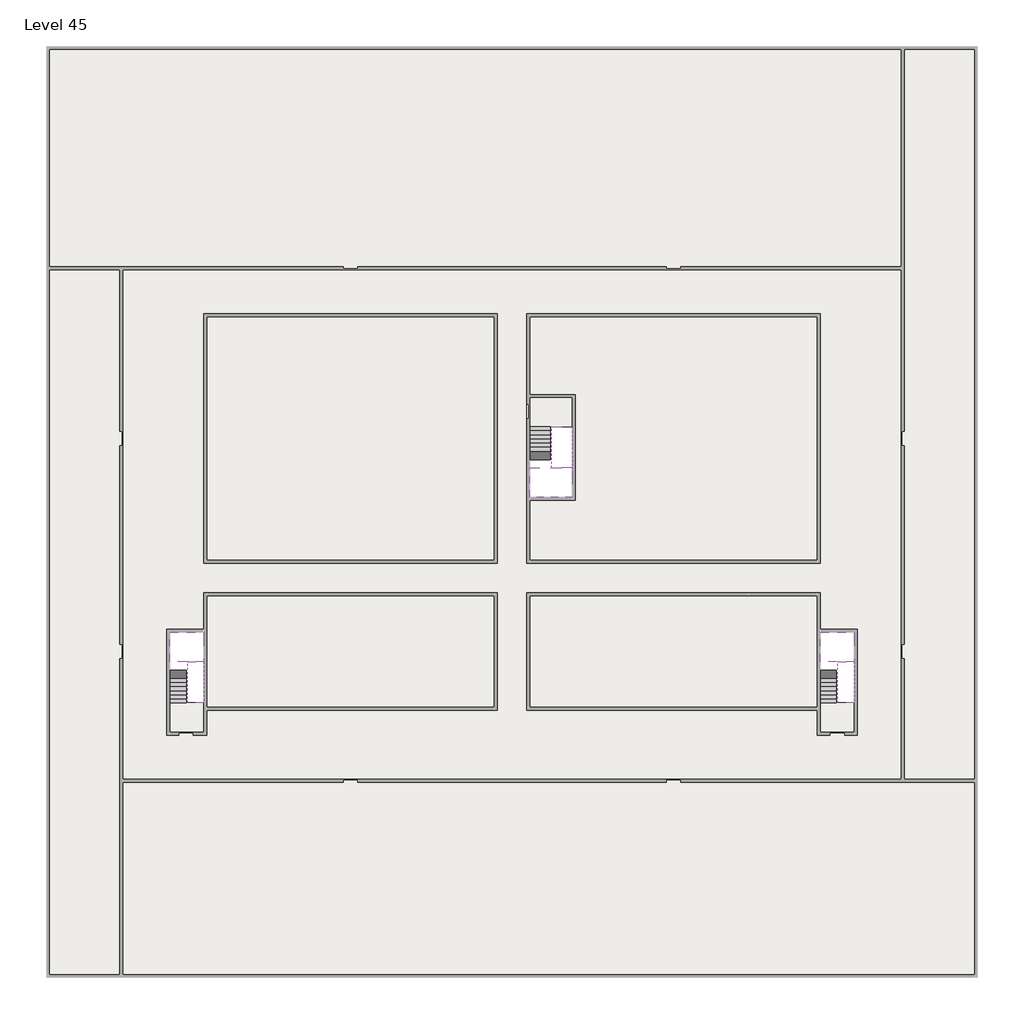
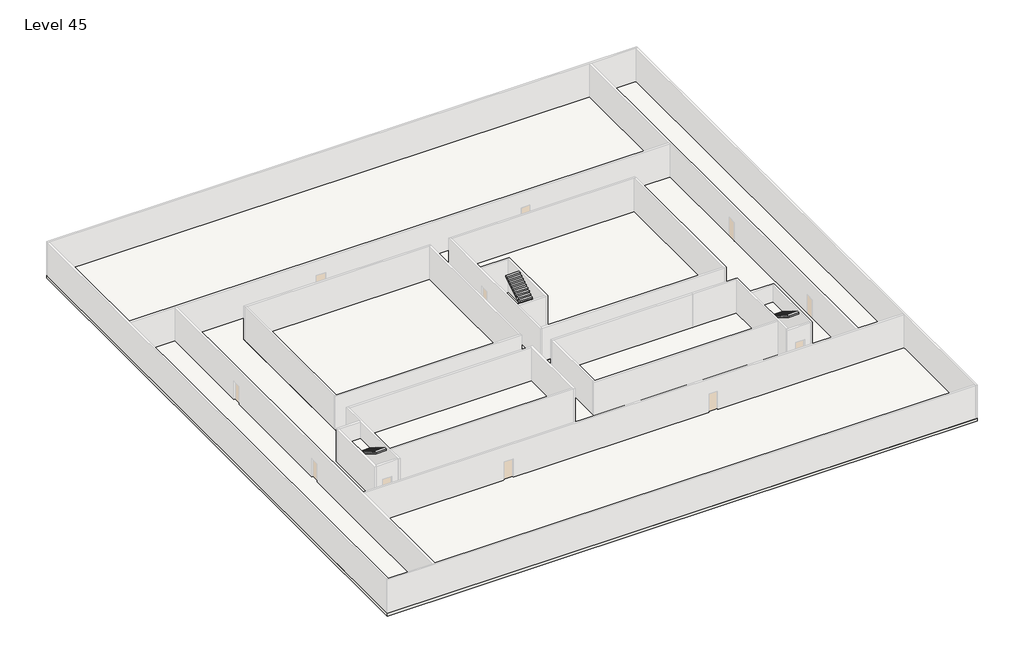
# One storey, part 2 of 2: 6 slabs, 6 stair flights.
"""IFC4 building model written with IfcOpenShell, lengths in millimetres."""

from ifc_helpers import new_model, si_unit, frame, origin, place, context, project, spatial, polyline, outline, extrude, faceted_brep, element, save

model = new_model("IFC4")

# Units and contexts
model_context = context("Model", 3, world=origin())
ifc_project = project(units=[si_unit("LENGTHUNIT", "METRE", prefix="MILLI")], contexts=[model_context])

# Site, building, storey
site = spatial("IfcSite", under=ifc_project)
building = spatial("IfcBuilding", under=site)
storey = spatial("IfcBuildingStorey", under=building, Name="Level 45", Elevation=167200.0)

# Slabs
placement = place(None, origin())
element("IfcSlab", 1, at=placement, inside=storey, context=model_context, shape_type="SweptSolid", body=[
    extrude(outline(polyline([(55890.1058784, -5518.09644), (55890.1058784, -68918.09644), (-7509.8941216, -68918.09644), (-7509.8941216, -5518.09644), (55890.1058784, -5518.09644)]), holes=[polyline([(23190.1058784, -23718.09644), (3190.1058784, -23718.09644), (3190.1058784, -40718.09644), (23190.1058784, -40718.09644), (23190.1058784, -23718.09644)]), polyline([(45190.1058784, -23718.09644), (25190.1058784, -23718.09644), (25190.1058784, -40718.09644), (45190.1058784, -40718.09644), (45190.1058784, -23718.09644)]), polyline([(23190.1058784, -42718.09644), (3390.1058784, -42718.09644), (3390.1058784, -45418.09644), (890.1058784, -45418.09644), (890.1058784, -52218.09644), (3190.1058784, -52218.09644), (3190.1058784, -50718.09644), (23190.1058784, -50718.09644), (23190.1058784, -42718.09644)]), polyline([(44990.1058784, -42718.09644), (25190.1058784, -42718.09644), (25190.1058784, -50718.09644), (45190.1058784, -50718.09644), (45190.1058784, -52218.09644), (47490.1058784, -52218.09644), (47490.1058784, -45418.09644), (44990.1058784, -45418.09644), (44990.1058784, -42718.09644)])]), frame((0.0, 0.0, 166900.0), z_axis=(0.0, 0.0, 1.0), x_axis=(1.0, 0.0, 0.0)), (0.0, 0.0, 1.0), 300.0),
])
element("IfcSlab", 2, at=placement, inside=storey, context=model_context, shape_type="Brep", body=[
    faceted_brep([(26790.1058784, -34218.09644, 169100.0), (25390.1058784, -34218.09644, 169100.0), (25390.1058784, -34297.4828763, 169100.0), (25390.1058784, -36218.09644, 169100.0), (28290.1058784, -36218.09644, 169100.0), (28290.1058784, -34418.7100038, 169100.0), (28290.1058784, -34218.09644, 169100.0), (26890.1058784, -34218.09644, 169100.0), (26790.1058784, -34218.09644, 168800.0), (26790.1058784, -34218.09644, 168751.0278478), (25390.1058784, -34218.09644, 168751.0278478), (25390.1058784, -34218.09644, 168927.2727273), (25390.1058784, -34297.4828763, 168800.0), (25390.1058784, -36218.09644, 168800.0), (28290.1058784, -36218.09644, 168800.0), (28290.1058784, -34418.7100038, 168800.0), (28290.1058784, -34218.09644, 168923.7551205), (26890.1058784, -34218.09644, 168923.7551205), (26890.1058784, -34218.09644, 168800.0), (26890.1058784, -34418.7100038, 168800.0), (26790.1058784, -34297.4828763, 168800.0)], [[[0, 1, 2, 3, 4, 5, 6, 7]], [[1, 0, 8, 9, 10, 11]], [[1, 11, 10, 12, 13, 3, 2]], [[4, 3, 13, 14]], [[4, 14, 15, 16, 6, 5]], [[7, 6, 16, 17]], [[0, 7, 17, 18, 8]], [[18, 19, 15, 14, 13, 12, 20, 8]], [[19, 18, 17]], [[20, 12, 10, 9]], [[8, 20, 9]], [[15, 19, 17, 16]]]),
])
element("IfcSlab", 3, at=placement, inside=storey, context=model_context, shape_type="Brep", body=[
    faceted_brep([(45190.1058784, -47418.09644, 169100.0), (46290.1058784, -47418.09644, 169100.0), (46390.1058784, -47418.09644, 169100.0), (47490.1058784, -47418.09644, 169100.0), (47490.1058784, -47217.4828763, 169100.0), (47490.1058784, -45418.09644, 169100.0), (45190.1058784, -45418.09644, 169100.0), (45190.1058784, -47338.7100038, 169100.0), (45190.1058784, -47418.09644, 168927.2727273), (45190.1058784, -47418.09644, 168751.0278478), (46290.1058784, -47418.09644, 168751.0278478), (46290.1058784, -47418.09644, 168800.0), (46390.1058784, -47418.09644, 168800.0), (46390.1058784, -47418.09644, 168923.7551205), (47490.1058784, -47418.09644, 168923.7551205), (47490.1058784, -47217.4828763, 168800.0), (47490.1058784, -45418.09644, 168800.0), (45190.1058784, -45418.09644, 168800.0), (45190.1058784, -47338.7100038, 168800.0), (46390.1058784, -47217.4828763, 168800.0), (46290.1058784, -47338.7100038, 168800.0)], [[[0, 1, 2, 3, 4, 5, 6, 7]], [[1, 0, 8, 9, 10, 11]], [[2, 1, 11, 12, 13]], [[3, 2, 13, 14]], [[3, 14, 15, 16, 5, 4]], [[6, 5, 16, 17]], [[9, 8, 0, 7, 6, 17, 18]], [[19, 12, 11, 20, 18, 17, 16, 15]], [[12, 19, 13]], [[18, 20, 10, 9]], [[20, 11, 10]], [[19, 15, 14, 13]]]),
])
element("IfcSlab", 4, at=placement, inside=storey, context=model_context, shape_type="Brep", body=[
    faceted_brep([(890.1058784, -47418.09644, 169100.0), (1990.1058784, -47418.09644, 169100.0), (2090.1058784, -47418.09644, 169100.0), (3190.1058784, -47418.09644, 169100.0), (3190.1058784, -47217.4828763, 169100.0), (3190.1058784, -45418.09644, 169100.0), (890.1058784, -45418.09644, 169100.0), (890.1058784, -47338.7100038, 169100.0), (890.1058784, -47418.09644, 168927.2727273), (890.1058784, -47418.09644, 168751.0278478), (1990.1058784, -47418.09644, 168751.0278478), (1990.1058784, -47418.09644, 168800.0), (2090.1058784, -47418.09644, 168800.0), (2090.1058784, -47418.09644, 168923.7551205), (3190.1058784, -47418.09644, 168923.7551205), (3190.1058784, -47217.4828763, 168800.0), (3190.1058784, -45418.09644, 168800.0), (890.1058784, -45418.09644, 168800.0), (890.1058784, -47338.7100038, 168800.0), (2090.1058784, -47217.4828763, 168800.0), (1990.1058784, -47338.7100038, 168800.0)], [[[0, 1, 2, 3, 4, 5, 6, 7]], [[1, 0, 8, 9, 10, 11]], [[2, 1, 11, 12, 13]], [[3, 2, 13, 14]], [[3, 14, 15, 16, 5, 4]], [[6, 5, 16, 17]], [[9, 8, 0, 7, 6, 17, 18]], [[19, 12, 11, 20, 18, 17, 16, 15]], [[12, 19, 13]], [[18, 20, 10, 9]], [[20, 11, 10]], [[19, 15, 14, 13]]]),
])
element("IfcSlab", 5, at=placement, inside=storey, context=model_context, shape_type="SweptSolid", body=[
    extrude(outline(polyline([(22990.1058784, -23918.09644), (22990.1058784, -40518.09644), (3390.1058784, -40518.09644), (3390.1058784, -23918.09644), (22990.1058784, -23918.09644)])), frame((0.0, 0.0, 166900.0), z_axis=(0.0, 0.0, 1.0), x_axis=(1.0, 0.0, 0.0)), (0.0, 0.0, 1.0), 300.0),
    extrude(outline(polyline([(44990.1058784, -23918.09644), (44990.1058784, -40518.09644), (25390.1058784, -40518.09644), (25390.1058784, -36418.09644), (28490.1058784, -36418.09644), (28490.1058784, -29218.09644), (25390.1058784, -29218.09644), (25390.1058784, -23918.09644), (44990.1058784, -23918.09644)])), frame((0.0, 0.0, 166900.0), z_axis=(0.0, 0.0, 1.0), x_axis=(1.0, 0.0, 0.0)), (0.0, 0.0, 1.0), 300.0),
    extrude(outline(polyline([(22990.1058784, -42918.09644), (22990.1058784, -50518.09644), (3390.1058784, -50518.09644), (3390.1058784, -42918.09644), (22990.1058784, -42918.09644)])), frame((0.0, 0.0, 166900.0), z_axis=(0.0, 0.0, 1.0), x_axis=(1.0, 0.0, 0.0)), (0.0, 0.0, 1.0), 300.0),
    extrude(outline(polyline([(44990.1058784, -42918.09644), (44990.1058784, -50518.09644), (25390.1058784, -50518.09644), (25390.1058784, -42918.09644), (44990.1058784, -42918.09644)])), frame((0.0, 0.0, 166900.0), z_axis=(0.0, 0.0, 1.0), x_axis=(1.0, 0.0, 0.0)), (0.0, 0.0, 1.0), 300.0),
])
element("IfcSlab", 6, at=placement, inside=storey, context=model_context, shape_type="SweptSolid", body=[
    extrude(outline(polyline([(28290.1058784, -29418.09644), (28290.1058784, -31418.09644), (25190.1058784, -31418.09644), (25190.1058784, -29418.09644), (28290.1058784, -29418.09644)])), frame((0.0, 0.0, 166900.0), z_axis=(0.0, 0.0, 1.0), x_axis=(1.0, 0.0, 0.0)), (0.0, 0.0, 1.0), 300.0),
    extrude(outline(polyline([(3190.1058784, -50218.09644), (3190.1058784, -52218.09644), (890.1058784, -52218.09644), (890.1058784, -50218.09644), (3190.1058784, -50218.09644)])), frame((0.0, 0.0, 166900.0), z_axis=(0.0, 0.0, 1.0), x_axis=(1.0, 0.0, 0.0)), (0.0, 0.0, 1.0), 300.0),
    extrude(outline(polyline([(47490.1058784, -50218.09644), (47490.1058784, -52218.09644), (45190.1058784, -52218.09644), (45190.1058784, -50218.09644), (47490.1058784, -50218.09644)])), frame((0.0, 0.0, 166900.0), z_axis=(0.0, 0.0, 1.0), x_axis=(1.0, 0.0, 0.0)), (0.0, 0.0, 1.0), 300.0),
])

# Stair flights
element("IfcStairFlight", 7, at=placement, inside=storey, context=model_context, shape_type="Brep", body=[
    faceted_brep([(26790.1058784, -31698.09644, 167372.7272727), (26790.1058784, -31418.09644, 167372.7272727), (25390.1058784, -31418.09644, 167372.7272727), (25390.1058784, -31698.09644, 167372.7272727), (26790.1058784, -31698.09644, 167200.0), (26790.1058784, -31418.09644, 167200.0), (25390.1058784, -31418.09644, 167200.0), (25390.1058784, -31698.09644, 167200.0), (26790.1058784, -31978.09644, 167545.4545455), (26790.1058784, -31698.09644, 167545.4545455), (25390.1058784, -31698.09644, 167545.4545455), (25390.1058784, -31978.09644, 167545.4545455), (26790.1058784, -31978.09644, 167369.209666), (26790.1058784, -31703.7986657, 167200.0), (25390.1058784, -31703.7986657, 167200.0), (25390.1058784, -31978.09644, 167369.209666), (26790.1058784, -32258.09644, 167718.1818182), (26790.1058784, -31978.09644, 167718.1818182), (25390.1058784, -31978.09644, 167718.1818182), (25390.1058784, -32258.09644, 167718.1818182), (26790.1058784, -32258.09644, 167541.9369387), (25390.1058784, -32258.09644, 167541.9369387), (26790.1058784, -32538.09644, 167890.9090909), (26790.1058784, -32258.09644, 167890.9090909), (25390.1058784, -32258.09644, 167890.9090909), (25390.1058784, -32538.09644, 167890.9090909), (26790.1058784, -32538.09644, 167714.6642114), (25390.1058784, -32538.09644, 167714.6642114), (26790.1058784, -32818.09644, 168063.6363636), (26790.1058784, -32538.09644, 168063.6363636), (25390.1058784, -32538.09644, 168063.6363636), (25390.1058784, -32818.09644, 168063.6363636), (26790.1058784, -32818.09644, 167887.3914841), (25390.1058784, -32818.09644, 167887.3914841), (26790.1058784, -33098.09644, 168236.3636364), (26790.1058784, -32818.09644, 168236.3636364), (25390.1058784, -32818.09644, 168236.3636364), (25390.1058784, -33098.09644, 168236.3636364), (26790.1058784, -33098.09644, 168060.1187569), (25390.1058784, -33098.09644, 168060.1187569), (26790.1058784, -33378.09644, 168409.0909091), (26790.1058784, -33098.09644, 168409.0909091), (25390.1058784, -33098.09644, 168409.0909091), (25390.1058784, -33378.09644, 168409.0909091), (26790.1058784, -33378.09644, 168232.8460296), (25390.1058784, -33378.09644, 168232.8460296), (26790.1058784, -33658.09644, 168581.8181818), (26790.1058784, -33378.09644, 168581.8181818), (25390.1058784, -33378.09644, 168581.8181818), (25390.1058784, -33658.09644, 168581.8181818), (26790.1058784, -33658.09644, 168405.5733023), (25390.1058784, -33658.09644, 168405.5733023), (26790.1058784, -33938.09644, 168754.5454545), (26790.1058784, -33658.09644, 168754.5454545), (25390.1058784, -33658.09644, 168754.5454545), (25390.1058784, -33938.09644, 168754.5454545), (26790.1058784, -33938.09644, 168578.3005751), (25390.1058784, -33938.09644, 168578.3005751), (26790.1058784, -34218.09644, 168927.2727273), (26790.1058784, -33938.09644, 168927.2727273), (25390.1058784, -33938.09644, 168927.2727273), (25390.1058784, -34218.09644, 168927.2727273), (26790.1058784, -34218.09644, 168800.0), (26790.1058784, -34218.09644, 168751.0278478), (25390.1058784, -34218.09644, 168751.0278478)], [[[0, 1, 2, 3]], [[1, 0, 4, 5]], [[2, 1, 5, 6]], [[3, 2, 6, 7]], [[8, 9, 10, 11]], [[4, 0, 9, 8, 12, 13]], [[0, 3, 10, 9]], [[3, 7, 14, 15, 11, 10]], [[16, 17, 18, 19]], [[17, 16, 20, 12, 8]], [[8, 11, 18, 17]], [[19, 18, 11, 15, 21]], [[22, 23, 24, 25]], [[23, 22, 26, 20, 16]], [[16, 19, 24, 23]], [[25, 24, 19, 21, 27]], [[28, 29, 30, 31]], [[29, 28, 32, 26, 22]], [[22, 25, 30, 29]], [[31, 30, 25, 27, 33]], [[34, 35, 36, 37]], [[35, 34, 38, 32, 28]], [[28, 31, 36, 35]], [[37, 36, 31, 33, 39]], [[40, 41, 42, 43]], [[41, 40, 44, 38, 34]], [[34, 37, 42, 41]], [[43, 42, 37, 39, 45]], [[46, 47, 48, 49]], [[47, 46, 50, 44, 40]], [[40, 43, 48, 47]], [[49, 48, 43, 45, 51]], [[52, 53, 54, 55]], [[53, 52, 56, 50, 46]], [[46, 49, 54, 53]], [[55, 54, 49, 51, 57]], [[58, 59, 60, 61]], [[59, 58, 62, 63, 56, 52]], [[52, 55, 60, 59]], [[61, 60, 55, 57, 64]], [[58, 61, 64, 63, 62]], [[5, 4, 13, 14, 7, 6]], [[14, 13, 12, 20, 26, 32, 38, 44, 50, 56, 63, 64, 57, 51, 45, 39, 33, 27, 21, 15]]]),
])
element("IfcStairFlight", 8, at=placement, inside=storey, context=model_context, shape_type="Brep", body=[
    faceted_brep([(26890.1058784, -33938.09644, 169272.7272727), (26890.1058784, -34218.09644, 169272.7272727), (28290.1058784, -34218.09644, 169272.7272727), (28290.1058784, -33938.09644, 169272.7272727), (26890.1058784, -33938.09644, 169096.4823932), (26890.1058784, -34218.09644, 168923.7551205), (28290.1058784, -34218.09644, 168923.7551205), (28290.1058784, -34218.09644, 169100.0), (28290.1058784, -33938.09644, 169096.4823932), (26890.1058784, -33658.09644, 169445.4545455), (26890.1058784, -33938.09644, 169445.4545455), (28290.1058784, -33938.09644, 169445.4545455), (28290.1058784, -33658.09644, 169445.4545455), (26890.1058784, -33658.09644, 169269.209666), (28290.1058784, -33658.09644, 169269.209666), (26890.1058784, -33378.09644, 169618.1818182), (26890.1058784, -33658.09644, 169618.1818182), (28290.1058784, -33658.09644, 169618.1818182), (28290.1058784, -33378.09644, 169618.1818182), (26890.1058784, -33378.09644, 169441.9369387), (28290.1058784, -33378.09644, 169441.9369387), (26890.1058784, -33098.09644, 169790.9090909), (26890.1058784, -33378.09644, 169790.9090909), (28290.1058784, -33378.09644, 169790.9090909), (28290.1058784, -33098.09644, 169790.9090909), (26890.1058784, -33098.09644, 169614.6642114), (28290.1058784, -33098.09644, 169614.6642114), (26890.1058784, -32818.09644, 169963.6363636), (26890.1058784, -33098.09644, 169963.6363636), (28290.1058784, -33098.09644, 169963.6363636), (28290.1058784, -32818.09644, 169963.6363636), (26890.1058784, -32818.09644, 169787.3914841), (28290.1058784, -32818.09644, 169787.3914841), (26890.1058784, -32538.09644, 170136.3636364), (26890.1058784, -32818.09644, 170136.3636364), (28290.1058784, -32818.09644, 170136.3636364), (28290.1058784, -32538.09644, 170136.3636364), (26890.1058784, -32538.09644, 169960.1187569), (28290.1058784, -32538.09644, 169960.1187569), (26890.1058784, -32258.09644, 170309.0909091), (26890.1058784, -32538.09644, 170309.0909091), (28290.1058784, -32538.09644, 170309.0909091), (28290.1058784, -32258.09644, 170309.0909091), (26890.1058784, -32258.09644, 170132.8460296), (28290.1058784, -32258.09644, 170132.8460296), (26890.1058784, -31978.09644, 170481.8181818), (26890.1058784, -32258.09644, 170481.8181818), (28290.1058784, -32258.09644, 170481.8181818), (28290.1058784, -31978.09644, 170481.8181818), (26890.1058784, -31978.09644, 170305.5733023), (28290.1058784, -31978.09644, 170305.5733023), (26890.1058784, -31698.09644, 170654.5454545), (26890.1058784, -31978.09644, 170654.5454545), (28290.1058784, -31978.09644, 170654.5454545), (28290.1058784, -31698.09644, 170654.5454545), (26890.1058784, -31698.09644, 170478.3005751), (28290.1058784, -31698.09644, 170478.3005751), (26890.1058784, -31418.09644, 170827.2727273), (26890.1058784, -31698.09644, 170827.2727273), (28290.1058784, -31698.09644, 170827.2727273), (28290.1058784, -31418.09644, 170827.2727273), (26890.1058784, -31418.09644, 170651.0278478), (28290.1058784, -31418.09644, 170651.0278478)], [[[0, 1, 2, 3]], [[1, 0, 4, 5]], [[2, 1, 5, 6, 7]], [[3, 2, 7, 6, 8]], [[9, 10, 11, 12]], [[10, 9, 13, 4, 0]], [[11, 10, 0, 3]], [[12, 11, 3, 8, 14]], [[15, 16, 17, 18]], [[16, 15, 19, 13, 9]], [[17, 16, 9, 12]], [[18, 17, 12, 14, 20]], [[21, 22, 23, 24]], [[22, 21, 25, 19, 15]], [[23, 22, 15, 18]], [[24, 23, 18, 20, 26]], [[27, 28, 29, 30]], [[28, 27, 31, 25, 21]], [[29, 28, 21, 24]], [[30, 29, 24, 26, 32]], [[33, 34, 35, 36]], [[34, 33, 37, 31, 27]], [[35, 34, 27, 30]], [[36, 35, 30, 32, 38]], [[39, 40, 41, 42]], [[40, 39, 43, 37, 33]], [[41, 40, 33, 36]], [[42, 41, 36, 38, 44]], [[45, 46, 47, 48]], [[46, 45, 49, 43, 39]], [[47, 46, 39, 42]], [[48, 47, 42, 44, 50]], [[51, 52, 53, 54]], [[52, 51, 55, 49, 45]], [[53, 52, 45, 48]], [[54, 53, 48, 50, 56]], [[57, 58, 59, 60]], [[58, 57, 61, 55, 51]], [[59, 58, 51, 54]], [[60, 59, 54, 56, 62]], [[57, 60, 62, 61]], [[5, 4, 13, 19, 25, 31, 37, 43, 49, 55, 61, 62, 56, 50, 44, 38, 32, 26, 20, 14, 8, 6]]]),
])
element("IfcStairFlight", 9, at=placement, inside=storey, context=model_context, shape_type="Brep", body=[
    faceted_brep([(45190.1058784, -49938.09644, 167372.7272727), (45190.1058784, -50218.09644, 167372.7272727), (46290.1058784, -50218.09644, 167372.7272727), (46290.1058784, -49938.09644, 167372.7272727), (45190.1058784, -49938.09644, 167200.0), (45190.1058784, -50218.09644, 167200.0), (46290.1058784, -50218.09644, 167200.0), (46290.1058784, -49938.09644, 167200.0), (45190.1058784, -49658.09644, 167545.4545455), (45190.1058784, -49938.09644, 167545.4545455), (46290.1058784, -49938.09644, 167545.4545455), (46290.1058784, -49658.09644, 167545.4545455), (45190.1058784, -49658.09644, 167369.209666), (45190.1058784, -49932.3942143, 167200.0), (46290.1058784, -49932.3942143, 167200.0), (46290.1058784, -49658.09644, 167369.209666), (45190.1058784, -49378.09644, 167718.1818182), (45190.1058784, -49658.09644, 167718.1818182), (46290.1058784, -49658.09644, 167718.1818182), (46290.1058784, -49378.09644, 167718.1818182), (45190.1058784, -49378.09644, 167541.9369387), (46290.1058784, -49378.09644, 167541.9369387), (45190.1058784, -49098.09644, 167890.9090909), (45190.1058784, -49378.09644, 167890.9090909), (46290.1058784, -49378.09644, 167890.9090909), (46290.1058784, -49098.09644, 167890.9090909), (45190.1058784, -49098.09644, 167714.6642114), (46290.1058784, -49098.09644, 167714.6642114), (45190.1058784, -48818.09644, 168063.6363636), (45190.1058784, -49098.09644, 168063.6363636), (46290.1058784, -49098.09644, 168063.6363636), (46290.1058784, -48818.09644, 168063.6363636), (45190.1058784, -48818.09644, 167887.3914841), (46290.1058784, -48818.09644, 167887.3914841), (45190.1058784, -48538.09644, 168236.3636364), (45190.1058784, -48818.09644, 168236.3636364), (46290.1058784, -48818.09644, 168236.3636364), (46290.1058784, -48538.09644, 168236.3636364), (45190.1058784, -48538.09644, 168060.1187569), (46290.1058784, -48538.09644, 168060.1187569), (45190.1058784, -48258.09644, 168409.0909091), (45190.1058784, -48538.09644, 168409.0909091), (46290.1058784, -48538.09644, 168409.0909091), (46290.1058784, -48258.09644, 168409.0909091), (45190.1058784, -48258.09644, 168232.8460296), (46290.1058784, -48258.09644, 168232.8460296), (45190.1058784, -47978.09644, 168581.8181818), (45190.1058784, -48258.09644, 168581.8181818), (46290.1058784, -48258.09644, 168581.8181818), (46290.1058784, -47978.09644, 168581.8181818), (45190.1058784, -47978.09644, 168405.5733023), (46290.1058784, -47978.09644, 168405.5733023), (45190.1058784, -47698.09644, 168754.5454545), (45190.1058784, -47978.09644, 168754.5454545), (46290.1058784, -47978.09644, 168754.5454545), (46290.1058784, -47698.09644, 168754.5454545), (45190.1058784, -47698.09644, 168578.3005751), (46290.1058784, -47698.09644, 168578.3005751), (45190.1058784, -47418.09644, 168927.2727273), (45190.1058784, -47698.09644, 168927.2727273), (46290.1058784, -47698.09644, 168927.2727273), (46290.1058784, -47418.09644, 168927.2727273), (45190.1058784, -47418.09644, 168751.0278478), (46290.1058784, -47418.09644, 168751.0278478), (46290.1058784, -47418.09644, 168800.0)], [[[0, 1, 2, 3]], [[1, 0, 4, 5]], [[2, 1, 5, 6]], [[3, 2, 6, 7]], [[8, 9, 10, 11]], [[4, 0, 9, 8, 12, 13]], [[0, 3, 10, 9]], [[3, 7, 14, 15, 11, 10]], [[16, 17, 18, 19]], [[17, 16, 20, 12, 8]], [[8, 11, 18, 17]], [[19, 18, 11, 15, 21]], [[22, 23, 24, 25]], [[23, 22, 26, 20, 16]], [[16, 19, 24, 23]], [[25, 24, 19, 21, 27]], [[28, 29, 30, 31]], [[29, 28, 32, 26, 22]], [[22, 25, 30, 29]], [[31, 30, 25, 27, 33]], [[34, 35, 36, 37]], [[35, 34, 38, 32, 28]], [[28, 31, 36, 35]], [[37, 36, 31, 33, 39]], [[40, 41, 42, 43]], [[41, 40, 44, 38, 34]], [[34, 37, 42, 41]], [[43, 42, 37, 39, 45]], [[46, 47, 48, 49]], [[47, 46, 50, 44, 40]], [[40, 43, 48, 47]], [[49, 48, 43, 45, 51]], [[52, 53, 54, 55]], [[53, 52, 56, 50, 46]], [[46, 49, 54, 53]], [[55, 54, 49, 51, 57]], [[58, 59, 60, 61]], [[59, 58, 62, 56, 52]], [[52, 55, 60, 59]], [[61, 60, 55, 57, 63, 64]], [[58, 61, 64, 63, 62]], [[5, 4, 13, 14, 7, 6]], [[14, 13, 12, 20, 26, 32, 38, 44, 50, 56, 62, 63, 57, 51, 45, 39, 33, 27, 21, 15]]]),
])
element("IfcStairFlight", 10, at=placement, inside=storey, context=model_context, shape_type="Brep", body=[
    faceted_brep([(47490.1058784, -47698.09644, 169272.7272727), (47490.1058784, -47418.09644, 169272.7272727), (46390.1058784, -47418.09644, 169272.7272727), (46390.1058784, -47698.09644, 169272.7272727), (47490.1058784, -47698.09644, 169096.4823932), (47490.1058784, -47418.09644, 168923.7551205), (47490.1058784, -47418.09644, 169100.0), (46390.1058784, -47418.09644, 168923.7551205), (46390.1058784, -47698.09644, 169096.4823932), (47490.1058784, -47978.09644, 169445.4545455), (47490.1058784, -47698.09644, 169445.4545455), (46390.1058784, -47698.09644, 169445.4545455), (46390.1058784, -47978.09644, 169445.4545455), (47490.1058784, -47978.09644, 169269.209666), (46390.1058784, -47978.09644, 169269.209666), (47490.1058784, -48258.09644, 169618.1818182), (47490.1058784, -47978.09644, 169618.1818182), (46390.1058784, -47978.09644, 169618.1818182), (46390.1058784, -48258.09644, 169618.1818182), (47490.1058784, -48258.09644, 169441.9369387), (46390.1058784, -48258.09644, 169441.9369387), (47490.1058784, -48538.09644, 169790.9090909), (47490.1058784, -48258.09644, 169790.9090909), (46390.1058784, -48258.09644, 169790.9090909), (46390.1058784, -48538.09644, 169790.9090909), (47490.1058784, -48538.09644, 169614.6642114), (46390.1058784, -48538.09644, 169614.6642114), (47490.1058784, -48818.09644, 169963.6363636), (47490.1058784, -48538.09644, 169963.6363636), (46390.1058784, -48538.09644, 169963.6363636), (46390.1058784, -48818.09644, 169963.6363636), (47490.1058784, -48818.09644, 169787.3914841), (46390.1058784, -48818.09644, 169787.3914841), (47490.1058784, -49098.09644, 170136.3636364), (47490.1058784, -48818.09644, 170136.3636364), (46390.1058784, -48818.09644, 170136.3636364), (46390.1058784, -49098.09644, 170136.3636364), (47490.1058784, -49098.09644, 169960.1187569), (46390.1058784, -49098.09644, 169960.1187569), (47490.1058784, -49378.09644, 170309.0909091), (47490.1058784, -49098.09644, 170309.0909091), (46390.1058784, -49098.09644, 170309.0909091), (46390.1058784, -49378.09644, 170309.0909091), (47490.1058784, -49378.09644, 170132.8460296), (46390.1058784, -49378.09644, 170132.8460296), (47490.1058784, -49658.09644, 170481.8181818), (47490.1058784, -49378.09644, 170481.8181818), (46390.1058784, -49378.09644, 170481.8181818), (46390.1058784, -49658.09644, 170481.8181818), (47490.1058784, -49658.09644, 170305.5733023), (46390.1058784, -49658.09644, 170305.5733023), (47490.1058784, -49938.09644, 170654.5454545), (47490.1058784, -49658.09644, 170654.5454545), (46390.1058784, -49658.09644, 170654.5454545), (46390.1058784, -49938.09644, 170654.5454545), (47490.1058784, -49938.09644, 170478.3005751), (46390.1058784, -49938.09644, 170478.3005751), (47490.1058784, -50218.09644, 170827.2727273), (47490.1058784, -49938.09644, 170827.2727273), (46390.1058784, -49938.09644, 170827.2727273), (46390.1058784, -50218.09644, 170827.2727273), (47490.1058784, -50218.09644, 170651.0278478), (46390.1058784, -50218.09644, 170651.0278478)], [[[0, 1, 2, 3]], [[1, 0, 4, 5, 6]], [[2, 1, 6, 5, 7]], [[3, 2, 7, 8]], [[9, 10, 11, 12]], [[10, 9, 13, 4, 0]], [[11, 10, 0, 3]], [[12, 11, 3, 8, 14]], [[15, 16, 17, 18]], [[16, 15, 19, 13, 9]], [[17, 16, 9, 12]], [[18, 17, 12, 14, 20]], [[21, 22, 23, 24]], [[22, 21, 25, 19, 15]], [[23, 22, 15, 18]], [[24, 23, 18, 20, 26]], [[27, 28, 29, 30]], [[28, 27, 31, 25, 21]], [[29, 28, 21, 24]], [[30, 29, 24, 26, 32]], [[33, 34, 35, 36]], [[34, 33, 37, 31, 27]], [[35, 34, 27, 30]], [[36, 35, 30, 32, 38]], [[39, 40, 41, 42]], [[40, 39, 43, 37, 33]], [[41, 40, 33, 36]], [[42, 41, 36, 38, 44]], [[45, 46, 47, 48]], [[46, 45, 49, 43, 39]], [[47, 46, 39, 42]], [[48, 47, 42, 44, 50]], [[51, 52, 53, 54]], [[52, 51, 55, 49, 45]], [[53, 52, 45, 48]], [[54, 53, 48, 50, 56]], [[57, 58, 59, 60]], [[58, 57, 61, 55, 51]], [[59, 58, 51, 54]], [[60, 59, 54, 56, 62]], [[57, 60, 62, 61]], [[5, 4, 13, 19, 25, 31, 37, 43, 49, 55, 61, 62, 56, 50, 44, 38, 32, 26, 20, 14, 8, 7]]]),
])
element("IfcStairFlight", 11, at=placement, inside=storey, context=model_context, shape_type="Brep", body=[
    faceted_brep([(890.1058784, -49938.09644, 167372.7272727), (890.1058784, -50218.09644, 167372.7272727), (1990.1058784, -50218.09644, 167372.7272727), (1990.1058784, -49938.09644, 167372.7272727), (890.1058784, -49938.09644, 167200.0), (890.1058784, -50218.09644, 167200.0), (1990.1058784, -50218.09644, 167200.0), (1990.1058784, -49938.09644, 167200.0), (890.1058784, -49658.09644, 167545.4545455), (890.1058784, -49938.09644, 167545.4545455), (1990.1058784, -49938.09644, 167545.4545455), (1990.1058784, -49658.09644, 167545.4545455), (890.1058784, -49658.09644, 167369.209666), (890.1058784, -49932.3942143, 167200.0), (1990.1058784, -49932.3942143, 167200.0), (1990.1058784, -49658.09644, 167369.209666), (890.1058784, -49378.09644, 167718.1818182), (890.1058784, -49658.09644, 167718.1818182), (1990.1058784, -49658.09644, 167718.1818182), (1990.1058784, -49378.09644, 167718.1818182), (890.1058784, -49378.09644, 167541.9369387), (1990.1058784, -49378.09644, 167541.9369387), (890.1058784, -49098.09644, 167890.9090909), (890.1058784, -49378.09644, 167890.9090909), (1990.1058784, -49378.09644, 167890.9090909), (1990.1058784, -49098.09644, 167890.9090909), (890.1058784, -49098.09644, 167714.6642114), (1990.1058784, -49098.09644, 167714.6642114), (890.1058784, -48818.09644, 168063.6363636), (890.1058784, -49098.09644, 168063.6363636), (1990.1058784, -49098.09644, 168063.6363636), (1990.1058784, -48818.09644, 168063.6363636), (890.1058784, -48818.09644, 167887.3914841), (1990.1058784, -48818.09644, 167887.3914841), (890.1058784, -48538.09644, 168236.3636364), (890.1058784, -48818.09644, 168236.3636364), (1990.1058784, -48818.09644, 168236.3636364), (1990.1058784, -48538.09644, 168236.3636364), (890.1058784, -48538.09644, 168060.1187569), (1990.1058784, -48538.09644, 168060.1187569), (890.1058784, -48258.09644, 168409.0909091), (890.1058784, -48538.09644, 168409.0909091), (1990.1058784, -48538.09644, 168409.0909091), (1990.1058784, -48258.09644, 168409.0909091), (890.1058784, -48258.09644, 168232.8460296), (1990.1058784, -48258.09644, 168232.8460296), (890.1058784, -47978.09644, 168581.8181818), (890.1058784, -48258.09644, 168581.8181818), (1990.1058784, -48258.09644, 168581.8181818), (1990.1058784, -47978.09644, 168581.8181818), (890.1058784, -47978.09644, 168405.5733023), (1990.1058784, -47978.09644, 168405.5733023), (890.1058784, -47698.09644, 168754.5454545), (890.1058784, -47978.09644, 168754.5454545), (1990.1058784, -47978.09644, 168754.5454545), (1990.1058784, -47698.09644, 168754.5454545), (890.1058784, -47698.09644, 168578.3005751), (1990.1058784, -47698.09644, 168578.3005751), (890.1058784, -47418.09644, 168927.2727273), (890.1058784, -47698.09644, 168927.2727273), (1990.1058784, -47698.09644, 168927.2727273), (1990.1058784, -47418.09644, 168927.2727273), (890.1058784, -47418.09644, 168751.0278478), (1990.1058784, -47418.09644, 168751.0278478), (1990.1058784, -47418.09644, 168800.0)], [[[0, 1, 2, 3]], [[1, 0, 4, 5]], [[2, 1, 5, 6]], [[3, 2, 6, 7]], [[8, 9, 10, 11]], [[4, 0, 9, 8, 12, 13]], [[0, 3, 10, 9]], [[3, 7, 14, 15, 11, 10]], [[16, 17, 18, 19]], [[17, 16, 20, 12, 8]], [[8, 11, 18, 17]], [[19, 18, 11, 15, 21]], [[22, 23, 24, 25]], [[23, 22, 26, 20, 16]], [[16, 19, 24, 23]], [[25, 24, 19, 21, 27]], [[28, 29, 30, 31]], [[29, 28, 32, 26, 22]], [[22, 25, 30, 29]], [[31, 30, 25, 27, 33]], [[34, 35, 36, 37]], [[35, 34, 38, 32, 28]], [[28, 31, 36, 35]], [[37, 36, 31, 33, 39]], [[40, 41, 42, 43]], [[41, 40, 44, 38, 34]], [[34, 37, 42, 41]], [[43, 42, 37, 39, 45]], [[46, 47, 48, 49]], [[47, 46, 50, 44, 40]], [[40, 43, 48, 47]], [[49, 48, 43, 45, 51]], [[52, 53, 54, 55]], [[53, 52, 56, 50, 46]], [[46, 49, 54, 53]], [[55, 54, 49, 51, 57]], [[58, 59, 60, 61]], [[59, 58, 62, 56, 52]], [[52, 55, 60, 59]], [[61, 60, 55, 57, 63, 64]], [[58, 61, 64, 63, 62]], [[5, 4, 13, 14, 7, 6]], [[14, 13, 12, 20, 26, 32, 38, 44, 50, 56, 62, 63, 57, 51, 45, 39, 33, 27, 21, 15]]]),
])
element("IfcStairFlight", 12, at=placement, inside=storey, context=model_context, shape_type="Brep", body=[
    faceted_brep([(3190.1058784, -47698.09644, 169272.7272727), (3190.1058784, -47418.09644, 169272.7272727), (2090.1058784, -47418.09644, 169272.7272727), (2090.1058784, -47698.09644, 169272.7272727), (3190.1058784, -47698.09644, 169096.4823932), (3190.1058784, -47418.09644, 168923.7551205), (3190.1058784, -47418.09644, 169100.0), (2090.1058784, -47418.09644, 168923.7551205), (2090.1058784, -47698.09644, 169096.4823932), (3190.1058784, -47978.09644, 169445.4545455), (3190.1058784, -47698.09644, 169445.4545455), (2090.1058784, -47698.09644, 169445.4545455), (2090.1058784, -47978.09644, 169445.4545455), (3190.1058784, -47978.09644, 169269.209666), (2090.1058784, -47978.09644, 169269.209666), (3190.1058784, -48258.09644, 169618.1818182), (3190.1058784, -47978.09644, 169618.1818182), (2090.1058784, -47978.09644, 169618.1818182), (2090.1058784, -48258.09644, 169618.1818182), (3190.1058784, -48258.09644, 169441.9369387), (2090.1058784, -48258.09644, 169441.9369387), (3190.1058784, -48538.09644, 169790.9090909), (3190.1058784, -48258.09644, 169790.9090909), (2090.1058784, -48258.09644, 169790.9090909), (2090.1058784, -48538.09644, 169790.9090909), (3190.1058784, -48538.09644, 169614.6642114), (2090.1058784, -48538.09644, 169614.6642114), (3190.1058784, -48818.09644, 169963.6363636), (3190.1058784, -48538.09644, 169963.6363636), (2090.1058784, -48538.09644, 169963.6363636), (2090.1058784, -48818.09644, 169963.6363636), (3190.1058784, -48818.09644, 169787.3914841), (2090.1058784, -48818.09644, 169787.3914841), (3190.1058784, -49098.09644, 170136.3636364), (3190.1058784, -48818.09644, 170136.3636364), (2090.1058784, -48818.09644, 170136.3636364), (2090.1058784, -49098.09644, 170136.3636364), (3190.1058784, -49098.09644, 169960.1187569), (2090.1058784, -49098.09644, 169960.1187569), (3190.1058784, -49378.09644, 170309.0909091), (3190.1058784, -49098.09644, 170309.0909091), (2090.1058784, -49098.09644, 170309.0909091), (2090.1058784, -49378.09644, 170309.0909091), (3190.1058784, -49378.09644, 170132.8460296), (2090.1058784, -49378.09644, 170132.8460296), (3190.1058784, -49658.09644, 170481.8181818), (3190.1058784, -49378.09644, 170481.8181818), (2090.1058784, -49378.09644, 170481.8181818), (2090.1058784, -49658.09644, 170481.8181818), (3190.1058784, -49658.09644, 170305.5733023), (2090.1058784, -49658.09644, 170305.5733023), (3190.1058784, -49938.09644, 170654.5454545), (3190.1058784, -49658.09644, 170654.5454545), (2090.1058784, -49658.09644, 170654.5454545), (2090.1058784, -49938.09644, 170654.5454545), (3190.1058784, -49938.09644, 170478.3005751), (2090.1058784, -49938.09644, 170478.3005751), (3190.1058784, -50218.09644, 170827.2727273), (3190.1058784, -49938.09644, 170827.2727273), (2090.1058784, -49938.09644, 170827.2727273), (2090.1058784, -50218.09644, 170827.2727273), (3190.1058784, -50218.09644, 170651.0278478), (2090.1058784, -50218.09644, 170651.0278478)], [[[0, 1, 2, 3]], [[1, 0, 4, 5, 6]], [[2, 1, 6, 5, 7]], [[3, 2, 7, 8]], [[9, 10, 11, 12]], [[10, 9, 13, 4, 0]], [[11, 10, 0, 3]], [[12, 11, 3, 8, 14]], [[15, 16, 17, 18]], [[16, 15, 19, 13, 9]], [[17, 16, 9, 12]], [[18, 17, 12, 14, 20]], [[21, 22, 23, 24]], [[22, 21, 25, 19, 15]], [[23, 22, 15, 18]], [[24, 23, 18, 20, 26]], [[27, 28, 29, 30]], [[28, 27, 31, 25, 21]], [[29, 28, 21, 24]], [[30, 29, 24, 26, 32]], [[33, 34, 35, 36]], [[34, 33, 37, 31, 27]], [[35, 34, 27, 30]], [[36, 35, 30, 32, 38]], [[39, 40, 41, 42]], [[40, 39, 43, 37, 33]], [[41, 40, 33, 36]], [[42, 41, 36, 38, 44]], [[45, 46, 47, 48]], [[46, 45, 49, 43, 39]], [[47, 46, 39, 42]], [[48, 47, 42, 44, 50]], [[51, 52, 53, 54]], [[52, 51, 55, 49, 45]], [[53, 52, 45, 48]], [[54, 53, 48, 50, 56]], [[57, 58, 59, 60]], [[58, 57, 61, 55, 51]], [[59, 58, 51, 54]], [[60, 59, 54, 56, 62]], [[57, 60, 62, 61]], [[5, 4, 13, 19, 25, 31, 37, 43, 49, 55, 61, 62, 56, 50, 44, 38, 32, 26, 20, 14, 8, 7]]]),
])

save(model, "model.ifc")
